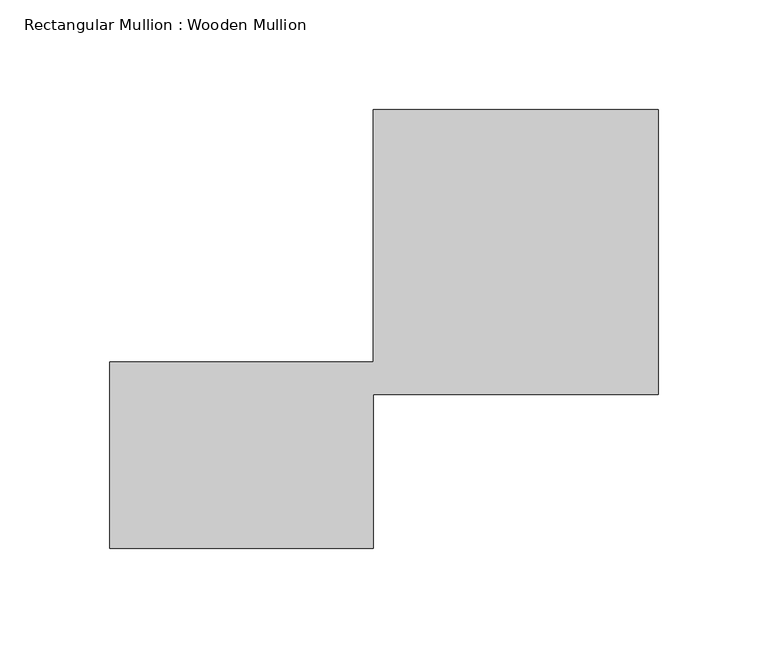
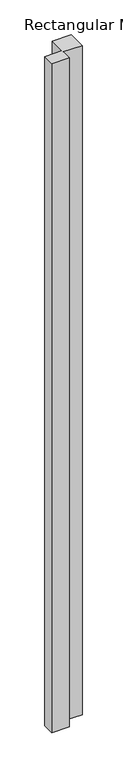
"""IFC4 building model written with IfcOpenShell, lengths in millimetres: member geometry, Rectangular Mullion : Wooden Mullion."""

from ifc_helpers import new_model, si_unit, frame, origin, place, context, project, spatial, polyline, outline, extrude, source, transform, mapped, element, save


def rectangular_mullion_wooden_mullion_694909e6(model_context):
    return source(origin(), model_context, "Body", "SweptSolid", [
        extrude(outline(polyline([(74.8100006, -26.0137344), (-45.1899994, -26.0137344), (-45.1899994, 58.9862656), (74.8100006, 58.9862656), (74.8100006, 173.9862656), (204.8100006, 173.9862656), (204.8100006, 43.9862656), (74.8100006, 43.9862656), (74.8100006, -26.0137344)])), frame((0.0, 0.0, -4874.9231193), z_axis=(0.0, 0.0, 1.0), x_axis=(1.0, 0.0, 0.0)), (0.0, 0.0, 1.0), 4874.9231193),
    ])


if __name__ == "__main__":
    model = new_model("IFC4")
    model_context = context("Model", 3, world=origin())
    ifc_project = project(units=[si_unit("LENGTHUNIT", "METRE", prefix="MILLI")], contexts=[model_context])
    site = spatial("IfcSite", under=ifc_project)
    building = spatial("IfcBuilding", under=site)
    placement = place(None, origin())
    rectangular_mullion_wooden_mullion_shape = rectangular_mullion_wooden_mullion_694909e6(model_context)
    element("IfcMember", 1, ObjectType="Rectangular Mullion : Wooden Mullion", at=placement, inside=building, context=model_context, shape_type="MappedRepresentation", body=[
        mapped(rectangular_mullion_wooden_mullion_shape, transform((0.0, 0.0, 0.0), x_axis=(1.0, 0.0, 0.0), y_axis=(0.0, 1.0, 0.0), z_axis=(0.0, 0.0, 1.0))),
    ])
    save(model, "model.ifc")
